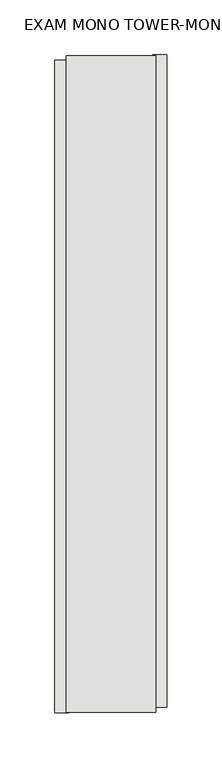
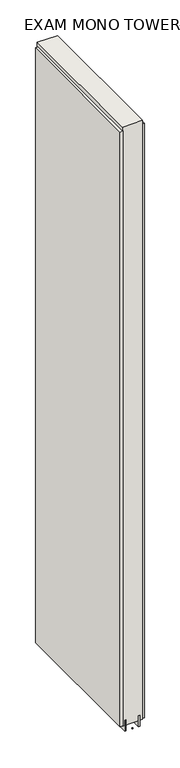
"""IFC4 building model written with IfcOpenShell, lengths in millimetres: wall geometry, EXAM MONO TOWER-MONO ACCENT 572068 : EXAM MONO TOWER-MONO ACCENT 572068."""

from ifc_helpers import new_model, si_unit, frame, origin, place, context, project, spatial, polyline, outline, extrude, source, transform, mapped, element, save


def exam_mono_tower_mono_accent_572068_exam_mono_tower_mono_c5513b8d(model_context):
    return source(origin(), model_context, "Body", "SweptSolid", [
        extrude(outline(polyline([(44096.3639026, -45520.0667702), (44096.3639026, -45517.5267702), (44098.9039026, -45517.5267702), (44098.9039026, -45520.0667702), (44096.3639026, -45520.0667702)])), frame((0.0, 0.0, 4419.6), z_axis=(0.0, 0.0, 1.0), x_axis=(1.0, 0.0, 0.0)), (0.0, 0.0, 1.0), 2.54),
        extrude(outline(polyline([(44148.4339026, -44922.7030678), (44148.4339026, -45515.603025), (44135.7339026, -45515.603025), (44135.7339026, -44922.7030678), (44148.4339026, -44922.7030678)])), frame((0.0, 0.0, 4445.0), z_axis=(0.0, 0.0, 1.0), x_axis=(1.0, 0.0, 0.0)), (0.0, 0.0, 1.0), 2545.0498756),
        extrude(outline(polyline([(44046.8339026, -45520.5329618), (44046.8339026, -44927.6330046), (44059.5339026, -44927.6330046), (44059.5339026, -45520.5329618), (44046.8339026, -45520.5329618)])), frame((0.0, 0.0, 4445.0), z_axis=(0.0, 0.0, 1.0), x_axis=(1.0, 0.0, 0.0)), (0.0, 0.0, 1.0), 2545.0498756),
        extrude(outline(polyline([(44122.720746, -45520.0773112), (44122.720746, -44923.1773112), (44127.7995014, -44923.1773112), (44127.7995014, -45520.0773112), (44122.720746, -45520.0773112)])), frame((0.0, 0.0, 4418.6602), z_axis=(0.0, 0.0, 1.0), x_axis=(1.0, 0.0, 0.0)), (0.0, 0.0, 1.0), 47.625),
        extrude(outline(polyline([(44122.720746, -45520.0773112), (44122.720746, -44923.1773112), (44127.7995014, -44923.1773112), (44127.7995014, -45520.0773112), (44122.720746, -45520.0773112)])), frame((0.0, 0.0, 4418.6602), z_axis=(0.0, 0.0, 1.0), x_axis=(1.0, 0.0, 0.0)), (0.0, 0.0, 1.0), 47.625),
        extrude(outline(polyline([(44072.556381, -44923.1773112), (44072.556381, -45520.0773112), (44067.4745014, -45520.0773112), (44067.4745014, -44923.1773112), (44072.556381, -44923.1773112)])), frame((0.0, 0.0, 4418.6602), z_axis=(0.0, 0.0, 1.0), x_axis=(1.0, 0.0, 0.0)), (0.0, 0.0, 1.0), 47.625),
        extrude(outline(polyline([(44072.556381, -44923.1773112), (44072.556381, -45520.0773112), (44067.4745014, -45520.0773112), (44067.4745014, -44923.1773112), (44072.556381, -44923.1773112)])), frame((0.0, 0.0, 4418.6602), z_axis=(0.0, 0.0, 1.0), x_axis=(1.0, 0.0, 0.0)), (0.0, 0.0, 1.0), 47.625),
        extrude(outline(polyline([(44138.2670954, -45520.0773112), (44056.9852412, -45520.0773112), (44056.9852412, -44923.1773112), (44138.2670954, -44923.1773112), (44138.2670954, -45520.0773112)])), frame((0.0, 0.0, 4445.0), z_axis=(0.0, 0.0, 1.0), x_axis=(1.0, 0.0, 0.0)), (0.0, 0.0, 1.0), 2562.4536762),
    ])


if __name__ == "__main__":
    model = new_model("IFC4")
    model_context = context("Model", 3, world=origin())
    ifc_project = project(units=[si_unit("LENGTHUNIT", "METRE", prefix="MILLI")], contexts=[model_context])
    site = spatial("IfcSite", under=ifc_project)
    building = spatial("IfcBuilding", under=site)
    placement = place(None, origin())
    exam_mono_tower_mono_accent_572068_exam_mono_tower_mono_shape = exam_mono_tower_mono_accent_572068_exam_mono_tower_mono_c5513b8d(model_context)
    element("IfcWall", 1, ObjectType="EXAM MONO TOWER-MONO ACCENT 572068 : EXAM MONO TOWER-MONO ACCENT 572068", at=placement, inside=building, context=model_context, shape_type="MappedRepresentation", body=[
        mapped(exam_mono_tower_mono_accent_572068_exam_mono_tower_mono_shape, transform((0.0, 0.0, 0.0), x_axis=(1.0, 0.0, 0.0), y_axis=(0.0, 1.0, 0.0), z_axis=(0.0, 0.0, 1.0))),
    ])
    save(model, "model.ifc")
